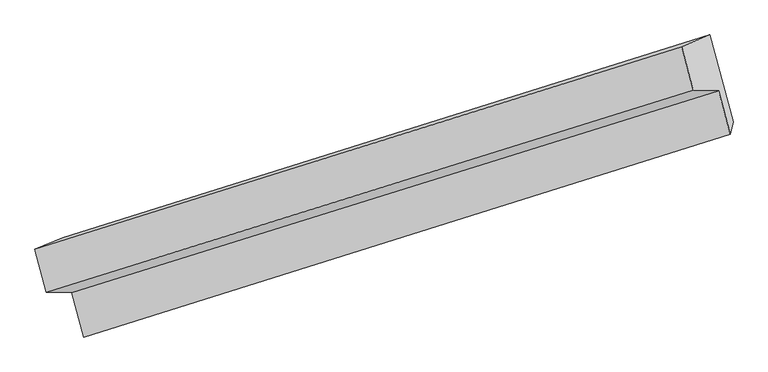
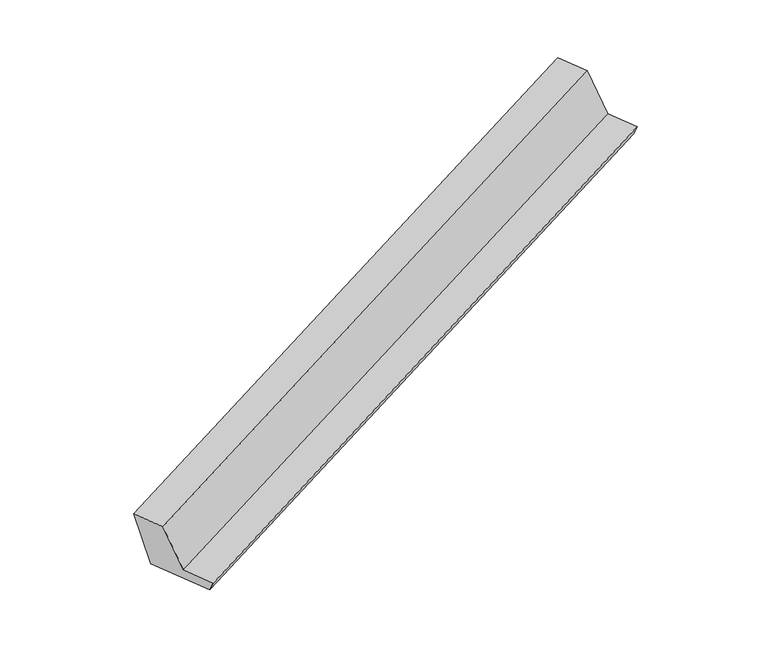
"""IFC4 building model written with IfcOpenShell, lengths in millimetres: proxy geometry."""

from ifc_helpers import new_model, si_unit, origin, place, context, project, spatial, faceted_brep, source, transform, mapped, element, save


def generic_models_2a8d0cdb(model_context):
    return source(origin(), model_context, "Body", "Brep", [
        faceted_brep([(-5690.1129708, -2789.6564502, 470.2038317), (-5909.4948464, -1974.6305176, 378.2135655), (161.6742971, -71.8411344, 2758.0111992), (381.0561727, -886.8670669, 2850.0014653), (-6172.7602507, -2084.9456478, 1153.4919139), (-101.5911072, -182.1562646, 3533.2895476), (-6064.881295, -2485.7269167, 1198.7272544), (8.8717498, -592.536989, 3579.6083585), (-5828.4625658, -2491.0799191, 587.4797567), (245.290479, -597.8899913, 2968.3608608), (-5716.4949842, -2907.0508479, 634.4295222), (354.6741593, -1004.2614647, 3014.2271559)], [[[0, 1, 2, 3]], [[1, 4, 5, 2]], [[4, 6, 7, 5]], [[6, 8, 9, 7]], [[8, 10, 11, 9]], [[10, 0, 3, 11]], [[9, 11, 3, 2, 5, 7]], [[0, 10, 8, 6, 4, 1]]]),
    ])


if __name__ == "__main__":
    model = new_model("IFC4")
    model_context = context("Model", 3, world=origin())
    ifc_project = project(units=[si_unit("LENGTHUNIT", "METRE", prefix="MILLI")], contexts=[model_context])
    site = spatial("IfcSite", under=ifc_project)
    building = spatial("IfcBuilding", under=site)
    placement = place(None, origin())
    generic_models_shape = generic_models_2a8d0cdb(model_context)
    element("IfcBuildingElementProxy", 1, Name="Generic Models", at=placement, inside=building, context=model_context, shape_type="MappedRepresentation", body=[
        mapped(generic_models_shape, transform((0.0, 0.0, 0.0), x_axis=(1.0, 0.0, 0.0), y_axis=(0.0, 1.0, 0.0), z_axis=(0.0, 0.0, 1.0))),
    ])
    save(model, "model.ifc")
